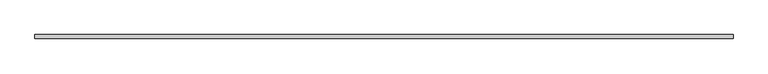
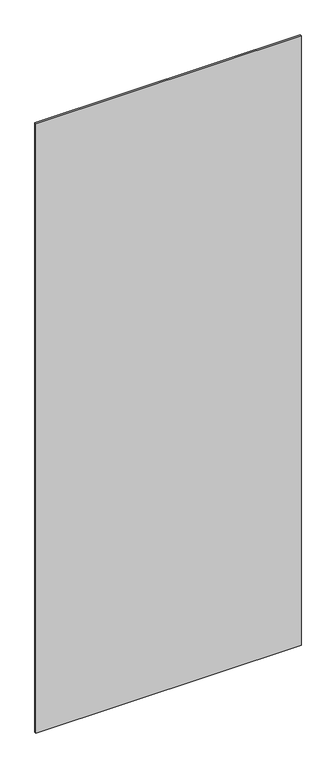
"""IFC4 building model written with IfcOpenShell, lengths in millimetres: plate geometry."""

from ifc_helpers import new_model, si_unit, origin, origin_with_axes, place, context, project, spatial, polyline, outline, extrude, source, transform, mapped, element, save


def plate_8e4a2d0e(model_context):
    return source(origin(), model_context, "Body", "SweptSolid", [
        extrude(outline(polyline([(897.5, -5.0), (-897.5, -5.0), (-897.5, 5.0), (897.5, 5.0), (897.5, -5.0)])), origin_with_axes(), (0.0, 0.0, 1.0), 4360.0),
    ])


if __name__ == "__main__":
    model = new_model("IFC4")
    model_context = context("Model", 3, world=origin())
    ifc_project = project(units=[si_unit("LENGTHUNIT", "METRE", prefix="MILLI")], contexts=[model_context])
    site = spatial("IfcSite", under=ifc_project)
    building = spatial("IfcBuilding", under=site)
    placement = place(None, origin())
    plate_shape = plate_8e4a2d0e(model_context)
    element("IfcPlate", 1, at=placement, inside=building, context=model_context, shape_type="MappedRepresentation", body=[
        mapped(plate_shape, transform((0.0, 0.0, 0.0), x_axis=(1.0, 0.0, 0.0), y_axis=(0.0, 1.0, 0.0), z_axis=(0.0, 0.0, 1.0))),
    ])
    save(model, "model.ifc")
